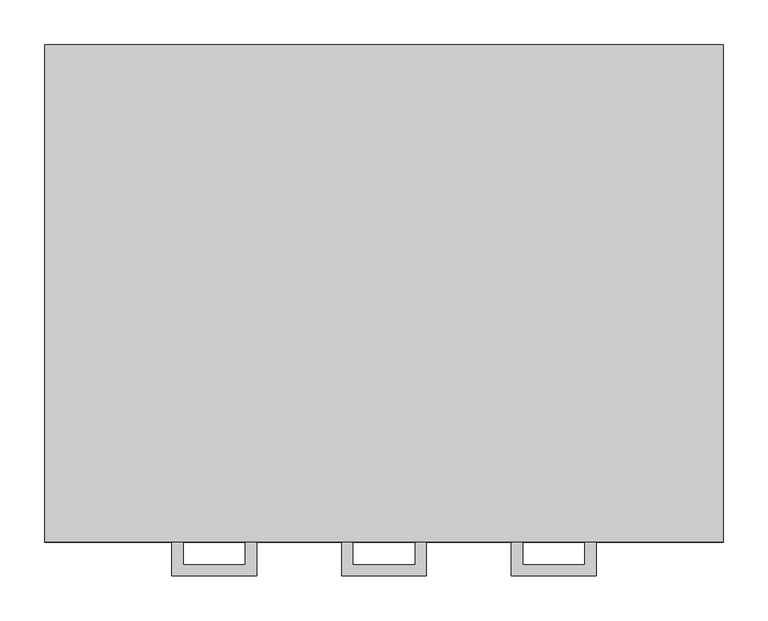
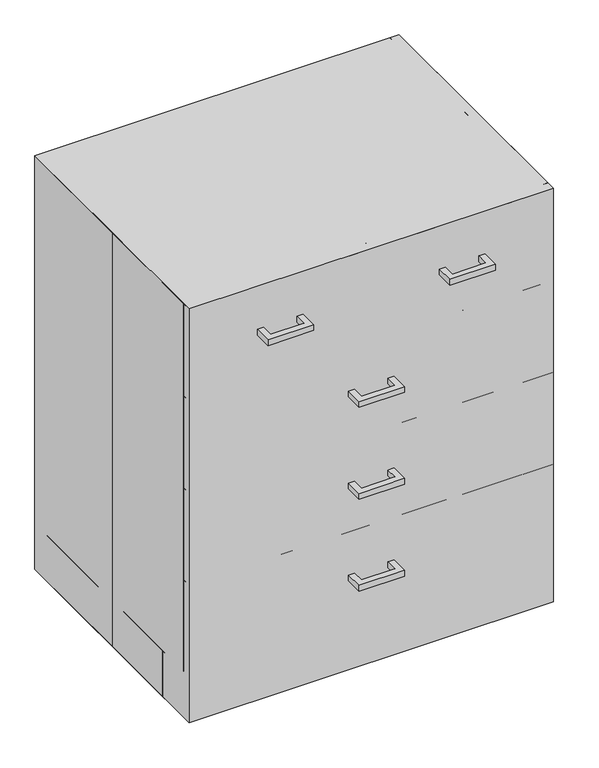
"""IFC4 building model written with IfcOpenShell, lengths in millimetres: proxy geometry."""

from ifc_helpers import new_model, si_unit, frame, origin, origin_with_axes, place, context, project, spatial, polyline, outline, extrude, source, transform, mapped, element, save


def specialty_equipment_a809560a(model_context):
    return source(origin(), model_context, "Body", "SweptSolid", [
        extrude(outline(polyline([(-47.625, -317.5), (-47.625, -279.4), (-34.9409299, -279.4), (-34.9409299, -304.8159299), (34.9409299, -304.8159299), (34.9409299, -279.4), (47.625, -279.4), (47.625, -317.5), (-47.625, -317.5)])), frame((0.0, 0.0, 196.85), z_axis=(0.0, 0.0, 1.0), x_axis=(1.0, 0.0, 0.0)), (0.0, 0.0, 1.0), 12.7),
        extrude(outline(polyline([(-47.625, -317.5), (-47.625, -279.4), (-34.9409299, -279.4), (-34.9409299, -304.8159299), (34.9409299, -304.8159299), (34.9409299, -279.4), (47.625, -279.4), (47.625, -317.5), (-47.625, -317.5)])), frame((0.0, 0.0, 400.05), z_axis=(0.0, 0.0, 1.0), x_axis=(1.0, 0.0, 0.0)), (0.0, 0.0, 1.0), 12.7),
        extrude(outline(polyline([(-47.625, -317.5), (-47.625, -279.4), (-34.9409299, -279.4), (-34.9409299, -304.8159299), (34.9409299, -304.8159299), (34.9409299, -279.4), (47.625, -279.4), (47.625, -317.5), (-47.625, -317.5)])), frame((0.0, 0.0, 603.25), z_axis=(0.0, 0.0, 1.0), x_axis=(1.0, 0.0, 0.0)), (0.0, 0.0, 1.0), 12.7),
        extrude(outline(polyline([(-238.125, -317.5), (-238.125, -279.4), (-225.4409299, -279.4), (-225.4409299, -304.8159299), (-155.5590701, -304.8159299), (-155.5590701, -279.4), (-142.875, -279.4), (-142.875, -317.5), (-238.125, -317.5)])), frame((0.0, 0.0, 806.45), z_axis=(0.0, 0.0, 1.0), x_axis=(1.0, 0.0, 0.0)), (0.0, 0.0, 1.0), 12.7),
        extrude(outline(polyline([(238.125, -317.5), (142.875, -317.5), (142.875, -279.4), (155.5590701, -279.4), (155.5590701, -304.8159299), (225.4409299, -304.8159299), (225.4409299, -279.4), (238.125, -279.4), (238.125, -317.5)])), frame((0.0, 0.0, 806.45), z_axis=(0.0, 0.0, 1.0), x_axis=(1.0, 0.0, 0.0)), (0.0, 0.0, 1.0), 12.7),
        extrude(outline(polyline([(-381.0, 279.4), (381.0, 279.4), (381.0, -279.4), (-381.0, -279.4), (-381.0, 0.0), (-381.0, 279.4)])), origin_with_axes(), (0.0, 0.0, 1.0), 914.4),
        extrude(outline(polyline([(381.0, -279.4), (-381.0, -279.4), (-381.0, -260.35), (381.0, -260.35), (381.0, -279.4)])), frame((0.0, 0.0, 101.5674767), z_axis=(0.0, 0.0, 1.0), x_axis=(1.0, 0.0, 0.0)), (0.0, 0.0, 1.0), 203.2325233),
        extrude(outline(polyline([(381.0, -279.4), (-381.0, -279.4), (-381.0, -260.35), (381.0, -260.35), (381.0, -279.4)])), frame((0.0, 0.0, 304.8), z_axis=(0.0, 0.0, 1.0), x_axis=(1.0, 0.0, 0.0)), (0.0, 0.0, 1.0), 203.2),
        extrude(outline(polyline([(381.0, -279.4), (-381.0, -279.4), (-381.0, -260.35), (381.0, -260.35), (381.0, -279.4)])), frame((0.0, 0.0, 508.0), z_axis=(0.0, 0.0, 1.0), x_axis=(1.0, 0.0, 0.0)), (0.0, 0.0, 1.0), 203.2),
        extrude(outline(polyline([(381.0, -279.4), (0.0, -279.4), (0.0, -260.35), (381.0, -260.35), (381.0, -279.4)])), frame((0.0, 0.0, 711.2), z_axis=(0.0, 0.0, 1.0), x_axis=(1.0, 0.0, 0.0)), (0.0, 0.0, 1.0), 203.2),
        extrude(outline(polyline([(0.0, -279.4), (-381.0, -279.4), (-381.0, -260.35), (0.0, -260.35), (0.0, -279.4)])), frame((0.0, 0.0, 711.2), z_axis=(0.0, 0.0, 1.0), x_axis=(1.0, 0.0, 0.0)), (0.0, 0.0, 1.0), 203.2),
        extrude(outline(polyline([(-381.0, -260.35), (-381.0, 279.4), (-361.95, 279.4), (-361.95, -260.35), (-381.0, -260.35)])), frame((0.0, 0.0, 101.6), z_axis=(0.0, 0.0, 1.0), x_axis=(1.0, 0.0, 0.0)), (0.0, 0.0, 1.0), 812.8),
        extrude(outline(polyline([(361.95, -260.35), (361.95, 279.4), (381.0, 279.4), (381.0, -260.35), (361.95, -260.35)])), frame((0.0, 0.0, 101.6), z_axis=(0.0, 0.0, 1.0), x_axis=(1.0, 0.0, 0.0)), (0.0, 0.0, 1.0), 812.8),
        extrude(outline(polyline([(381.0, -203.2), (-381.0, -203.2), (-381.0, -184.15), (381.0, -184.15), (381.0, -203.2)])), origin_with_axes(), (0.0, 0.0, 1.0), 101.6),
        extrude(outline(polyline([(-381.0, -184.15), (-381.0, 279.4), (-361.95, 279.4), (-361.95, -184.15), (-381.0, -184.15)])), origin_with_axes(), (0.0, 0.0, 1.0), 101.6),
        extrude(outline(polyline([(361.95, -184.15), (361.95, 279.4), (381.0, 279.4), (381.0, -184.15), (361.95, -184.15)])), origin_with_axes(), (0.0, 0.0, 1.0), 101.6),
        extrude(outline(polyline([(381.0, 260.35), (-381.0, 260.35), (-381.0, 279.4), (381.0, 279.4), (381.0, 260.35)])), origin_with_axes(), (0.0, 0.0, 1.0), 101.6),
        extrude(outline(polyline([(361.95, 260.35), (361.95, -260.35), (-361.95, -260.35), (-361.95, 260.35), (361.95, 260.35)])), frame((0.0, 0.0, 101.6), z_axis=(0.0, 0.0, 1.0), x_axis=(1.0, 0.0, 0.0)), (0.0, 0.0, 1.0), 19.1166954),
        extrude(outline(polyline([(361.95, 260.35), (-361.95, 260.35), (-361.95, 279.4), (361.95, 279.4), (361.95, 260.35)])), frame((0.0, 0.0, 101.6), z_axis=(0.0, 0.0, 1.0), x_axis=(1.0, 0.0, 0.0)), (0.0, 0.0, 1.0), 793.75),
    ])


if __name__ == "__main__":
    model = new_model("IFC4")
    model_context = context("Model", 3, world=origin())
    ifc_project = project(units=[si_unit("LENGTHUNIT", "METRE", prefix="MILLI")], contexts=[model_context])
    site = spatial("IfcSite", under=ifc_project)
    building = spatial("IfcBuilding", under=site)
    placement = place(None, origin())
    specialty_equipment_shape = specialty_equipment_a809560a(model_context)
    element("IfcBuildingElementProxy", 1, Name="Specialty Equipment", at=placement, inside=building, context=model_context, shape_type="MappedRepresentation", body=[
        mapped(specialty_equipment_shape, transform((0.0, 0.0, 0.0), x_axis=(1.0, 0.0, 0.0), y_axis=(0.0, 1.0, 0.0), z_axis=(0.0, 0.0, 1.0))),
    ])
    save(model, "model.ifc")
